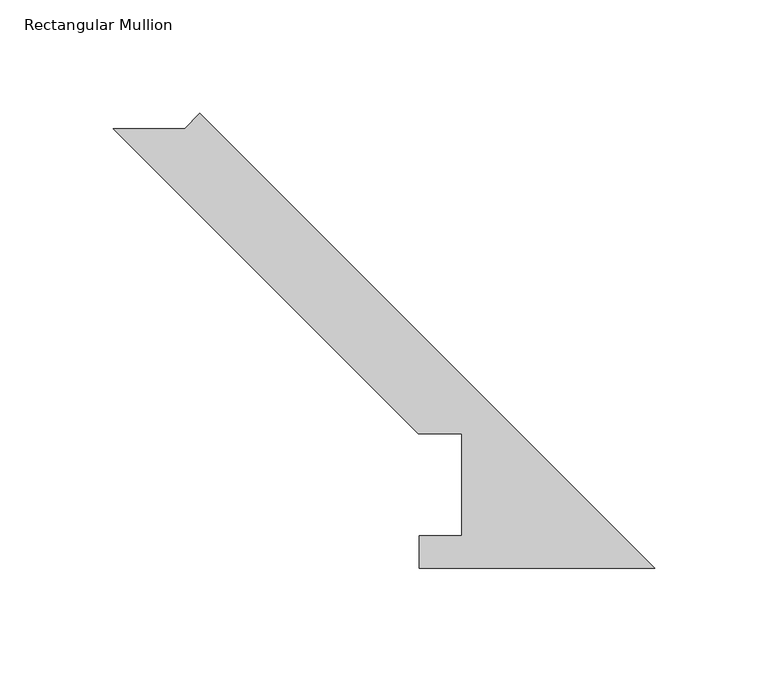
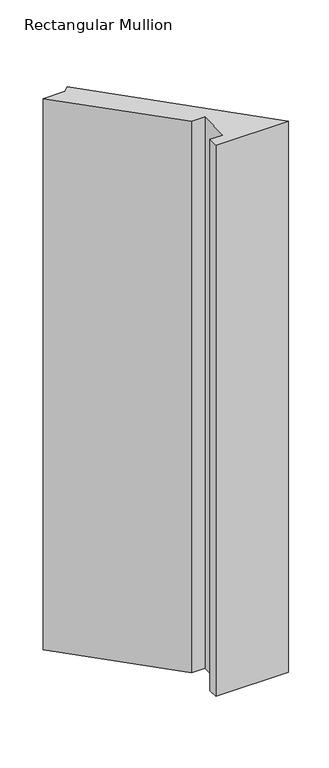
"""IFC4 building model written with IfcOpenShell, lengths in millimetres: member geometry, Rectangular Mullion."""

from ifc_helpers import new_model, si_unit, frame, origin, place, context, project, spatial, polyline, outline, extrude, source, transform, mapped, element, save


def rectangular_mullion_c33cae4f(model_context):
    return source(origin(), model_context, "Body", "SweptSolid", [
        extrude(outline(polyline([(-207.3388849, 194.0554867), (-200.6036928, 200.7906788), (0.0, 0.186986), (-103.8932205, 0.186986), (-103.8932205, 14.436386), (-85.1955446, 14.436386), (-85.1955446, 59.53125), (-104.2455446, 59.53125), (-238.7697813, 194.0554867), (-207.3388849, 194.0554867)])), frame((0.0, 0.0, -831.85), z_axis=(0.0, 0.0, 1.0), x_axis=(1.0, 0.0, 0.0)), (0.0, 0.0, 1.0), 831.85),
    ])


if __name__ == "__main__":
    model = new_model("IFC4")
    model_context = context("Model", 3, world=origin())
    ifc_project = project(units=[si_unit("LENGTHUNIT", "METRE", prefix="MILLI")], contexts=[model_context])
    site = spatial("IfcSite", under=ifc_project)
    building = spatial("IfcBuilding", under=site)
    placement = place(None, origin())
    rectangular_mullion_shape = rectangular_mullion_c33cae4f(model_context)
    element("IfcMember", 1, ObjectType="Rectangular Mullion", at=placement, inside=building, context=model_context, shape_type="MappedRepresentation", body=[
        mapped(rectangular_mullion_shape, transform((0.0, 0.0, 0.0), x_axis=(1.0, 0.0, 0.0), y_axis=(0.0, 1.0, 0.0), z_axis=(0.0, 0.0, 1.0))),
    ])
    save(model, "model.ifc")
